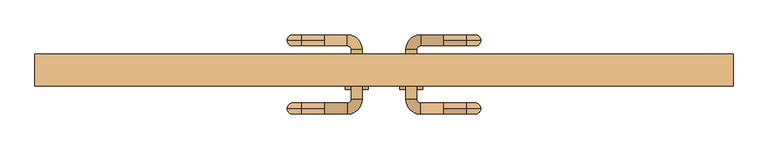
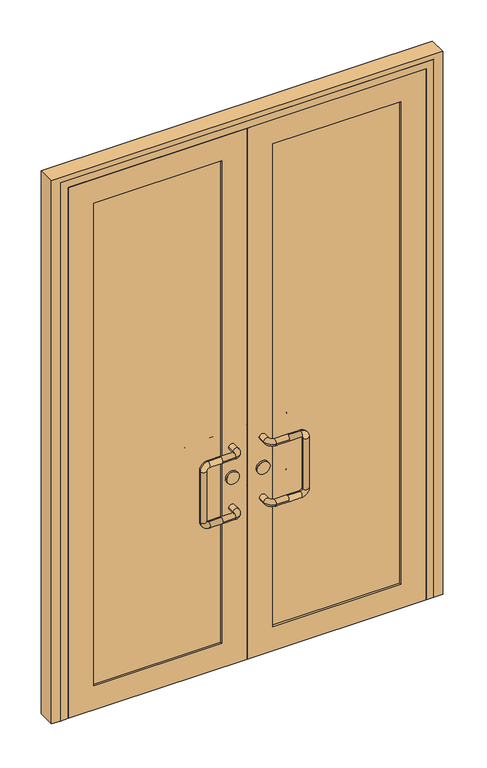
"""IFC4 building model written with IfcOpenShell, lengths in millimetres: door geometry."""

from ifc_helpers import new_model, si_unit, point, frame, frame_2d, origin, place, context, project, spatial, polyline, circle_curve, ellipse_curve, trimmed, segment, composite_curve, outline, extrude, faceted_brep, source, transform, mapped, element, save
from ifc_brep_helpers import cylinder_surface, revolved_surface, advanced_brep


def door_f9b2f60f(model_context):
    return source(origin(), model_context, "Body", "SolidModel", [
        advanced_brep(
        [(-130.0, -182.0, 900.0), (-80.0, -182.0, 900.0), (-80.0, -158.0, 900.0), (-130.0, -158.0, 900.0), (-130.0, -170.0, 912.0), (-130.0, -170.0, 888.0), (-48.0, -150.0, 900.0), (-72.0, -150.0, 900.0), (-48.0, -40.0, 900.0), (-72.0, -40.0, 900.0), (-80.0, -8.0, 900.0), (-80.0, -32.0, 900.0), (-130.0, -8.0, 900.0), (-130.0, -20.0, 912.0), (-130.0, -32.0, 900.0), (-130.0, -20.0, 888.0), (-180.0, -170.0, 888.0), (-180.0, -170.0, 912.0), (-188.0, -170.0, 880.0), (-212.0, -170.0, 880.0), (-188.0, -170.0, 670.0), (-212.0, -170.0, 670.0), (-180.0, -170.0, 662.0), (-180.0, -170.0, 638.0), (-130.0, -170.0, 662.0), (-130.0, -158.0, 650.0), (-130.0, -170.0, 638.0), (-130.0, -182.0, 650.0), (-80.0, -182.0, 650.0), (-80.0, -158.0, 650.0), (-48.0, -150.0, 650.0), (-72.0, -150.0, 650.0), (-48.0, -40.0, 650.0), (-72.0, -40.0, 650.0), (-80.0, -8.0, 650.0), (-80.0, -32.0, 650.0), (-130.0, -8.0, 650.0), (-130.0, -20.0, 662.0), (-130.0, -32.0, 650.0), (-130.0, -20.0, 638.0), (-180.0, -20.0, 888.0), (-180.0, -20.0, 912.0), (-188.0, -20.0, 880.0), (-212.0, -20.0, 880.0), (-188.0, -20.0, 670.0), (-212.0, -20.0, 670.0), (-180.0, -20.0, 662.0), (-180.0, -20.0, 638.0)],
        [
            (0, 1),
            (1, 2, circle_curve(frame((-80.0, -170.0, 900.0), z_axis=(-1.0, 0.0, 0.0), x_axis=(0.0, 1.0, 0.0)), 12.0)),
            (2, 3),
            (3, 4, circle_curve(frame((-130.0, -170.0, 900.0), z_axis=(1.0, 0.0, 0.0), x_axis=(0.0, 1.0, 0.0)), 12.0)),
            (4, 0, circle_curve(frame((-130.0, -170.0, 900.0), z_axis=(1.0, 0.0, 0.0), x_axis=(0.0, 1.0, 0.0)), 12.0)),
            (0, 5, circle_curve(frame((-130.0, -170.0, 900.0), z_axis=(1.0, 0.0, 0.0), x_axis=(0.0, 1.0, 0.0)), 12.0)),
            (5, 3, circle_curve(frame((-130.0, -170.0, 900.0), z_axis=(1.0, 0.0, 0.0), x_axis=(0.0, 1.0, 0.0)), 12.0)),
            (2, 1, circle_curve(frame((-80.0, -170.0, 900.0), z_axis=(-1.0, 0.0, 0.0), x_axis=(0.0, 1.0, 0.0)), 12.0)),
            (1, 6, circle_curve(frame((-80.0, -150.0, 900.0), z_axis=(0.0, 0.0, 1.0), x_axis=(0.0, -1.0, 0.0)), 32.0)),
            (6, 7, circle_curve(frame((-60.0, -150.0, 900.0), z_axis=(0.0, -1.0, 0.0), x_axis=(-1.0, 0.0, 0.0)), 12.0)),
            (7, 2, circle_curve(frame((-80.0, -150.0, 900.0), z_axis=(0.0, 0.0, -1.0), x_axis=(0.0, -1.0, 0.0)), 8.0)),
            (7, 6, circle_curve(frame((-60.0, -150.0, 900.0), z_axis=(0.0, -1.0, 0.0), x_axis=(-1.0, 0.0, 0.0)), 12.0)),
            (6, 8),
            (8, 9, circle_curve(frame((-60.0, -40.0, 900.0), z_axis=(0.0, -1.0, 0.0), x_axis=(-1.0, 0.0, 0.0)), 12.0)),
            (9, 7),
            (9, 8, circle_curve(frame((-60.0, -40.0, 900.0), z_axis=(0.0, -1.0, 0.0), x_axis=(-1.0, 0.0, 0.0)), 12.0)),
            (8, 10, circle_curve(frame((-80.0, -40.0, 900.0), z_axis=(0.0, 0.0, 1.0), x_axis=(1.0, 0.0, 0.0)), 32.0)),
            (10, 11, circle_curve(frame((-80.0, -20.0, 900.0), z_axis=(1.0, 0.0, 0.0), x_axis=(0.0, -1.0, 0.0)), 12.0)),
            (11, 9, circle_curve(frame((-80.0, -40.0, 900.0), z_axis=(0.0, 0.0, -1.0), x_axis=(1.0, 0.0, 0.0)), 8.0)),
            (11, 10, circle_curve(frame((-80.0, -20.0, 900.0), z_axis=(1.0, 0.0, 0.0), x_axis=(0.0, -1.0, 0.0)), 12.0)),
            (10, 12),
            (12, 13, circle_curve(frame((-130.0, -20.0, 900.0), z_axis=(1.0, 0.0, 0.0), x_axis=(0.0, -1.0, 0.0)), 12.0)),
            (13, 14, circle_curve(frame((-130.0, -20.0, 900.0), z_axis=(1.0, 0.0, 0.0), x_axis=(0.0, -1.0, 0.0)), 12.0)),
            (14, 11),
            (14, 15, circle_curve(frame((-130.0, -20.0, 900.0), z_axis=(1.0, 0.0, 0.0), x_axis=(0.0, -1.0, 0.0)), 12.0)),
            (15, 12, circle_curve(frame((-130.0, -20.0, 900.0), z_axis=(1.0, 0.0, 0.0), x_axis=(0.0, -1.0, 0.0)), 12.0)),
            (5, 16),
            (16, 17, circle_curve(frame((-180.0, -170.0, 900.0), z_axis=(1.0, 0.0, 0.0), x_axis=(0.0, 0.0, 1.0)), 12.0)),
            (17, 4),
            (17, 16, circle_curve(frame((-180.0, -170.0, 900.0), z_axis=(1.0, 0.0, 0.0), x_axis=(0.0, 0.0, 1.0)), 12.0)),
            (16, 18, circle_curve(frame((-180.0, -170.0, 880.0), z_axis=(0.0, -1.0, 0.0), x_axis=(0.0, 0.0, 1.0)), 8.0)),
            (18, 19, circle_curve(frame((-200.0, -170.0, 880.0), z_axis=(0.0, 0.0, 1.0), x_axis=(-1.0, 0.0, 0.0)), 12.0)),
            (19, 17, circle_curve(frame((-180.0, -170.0, 880.0), z_axis=(0.0, 1.0, 0.0), x_axis=(0.0, 0.0, 1.0)), 32.0)),
            (19, 18, circle_curve(frame((-200.0, -170.0, 880.0), z_axis=(0.0, 0.0, 1.0), x_axis=(-1.0, 0.0, 0.0)), 12.0)),
            (18, 20),
            (20, 21, circle_curve(frame((-200.0, -170.0, 670.0), z_axis=(0.0, 0.0, 1.0), x_axis=(-1.0, 0.0, 0.0)), 12.0)),
            (21, 19),
            (21, 20, circle_curve(frame((-200.0, -170.0, 670.0), z_axis=(0.0, 0.0, 1.0), x_axis=(-1.0, 0.0, 0.0)), 12.0)),
            (20, 22, circle_curve(frame((-180.0, -170.0, 670.0), z_axis=(0.0, -1.0, 0.0), x_axis=(-1.0, 0.0, 0.0)), 8.0)),
            (22, 23, circle_curve(frame((-180.0, -170.0, 650.0), z_axis=(-1.0, 0.0, 0.0), x_axis=(0.0, 0.0, -1.0)), 12.0)),
            (23, 21, circle_curve(frame((-180.0, -170.0, 670.0), z_axis=(0.0, 1.0, 0.0), x_axis=(-1.0, 0.0, 0.0)), 32.0)),
            (23, 22, circle_curve(frame((-180.0, -170.0, 650.0), z_axis=(-1.0, 0.0, 0.0), x_axis=(0.0, 0.0, -1.0)), 12.0)),
            (22, 24),
            (24, 25, circle_curve(frame((-130.0, -170.0, 650.0), z_axis=(-1.0, 0.0, 0.0), x_axis=(0.0, 0.0, -1.0)), 12.0)),
            (25, 26, circle_curve(frame((-130.0, -170.0, 650.0), z_axis=(-1.0, 0.0, 0.0), x_axis=(0.0, 0.0, -1.0)), 12.0)),
            (26, 23),
            (26, 27, circle_curve(frame((-130.0, -170.0, 650.0), z_axis=(-1.0, 0.0, 0.0), x_axis=(0.0, 0.0, -1.0)), 12.0)),
            (27, 24, circle_curve(frame((-130.0, -170.0, 650.0), z_axis=(-1.0, 0.0, 0.0), x_axis=(0.0, 0.0, -1.0)), 12.0)),
            (27, 28),
            (28, 29, circle_curve(frame((-80.0, -170.0, 650.0), z_axis=(-1.0, 0.0, 0.0), x_axis=(0.0, 1.0, 0.0)), 12.0)),
            (29, 25),
            (29, 28, circle_curve(frame((-80.0, -170.0, 650.0), z_axis=(-1.0, 0.0, 0.0), x_axis=(0.0, 1.0, 0.0)), 12.0)),
            (28, 30, circle_curve(frame((-80.0, -150.0, 650.0), z_axis=(0.0, 0.0, 1.0), x_axis=(0.0, -1.0, 0.0)), 32.0)),
            (30, 31, circle_curve(frame((-60.0, -150.0, 650.0), z_axis=(0.0, -1.0, 0.0), x_axis=(-1.0, 0.0, 0.0)), 12.0)),
            (31, 29, circle_curve(frame((-80.0, -150.0, 650.0), z_axis=(0.0, 0.0, -1.0), x_axis=(0.0, -1.0, 0.0)), 8.0)),
            (31, 30, circle_curve(frame((-60.0, -150.0, 650.0), z_axis=(0.0, -1.0, 0.0), x_axis=(-1.0, 0.0, 0.0)), 12.0)),
            (30, 32),
            (32, 33, circle_curve(frame((-60.0, -40.0, 650.0), z_axis=(0.0, -1.0, 0.0), x_axis=(-1.0, 0.0, 0.0)), 12.0)),
            (33, 31),
            (33, 32, circle_curve(frame((-60.0, -40.0, 650.0), z_axis=(0.0, -1.0, 0.0), x_axis=(-1.0, 0.0, 0.0)), 12.0)),
            (32, 34, circle_curve(frame((-80.0, -40.0, 650.0), z_axis=(0.0, 0.0, 1.0), x_axis=(1.0, 0.0, 0.0)), 32.0)),
            (34, 35, circle_curve(frame((-80.0, -20.0, 650.0), z_axis=(1.0, 0.0, 0.0), x_axis=(0.0, -1.0, 0.0)), 12.0)),
            (35, 33, circle_curve(frame((-80.0, -40.0, 650.0), z_axis=(0.0, 0.0, -1.0), x_axis=(1.0, 0.0, 0.0)), 8.0)),
            (35, 34, circle_curve(frame((-80.0, -20.0, 650.0), z_axis=(1.0, 0.0, 0.0), x_axis=(0.0, -1.0, 0.0)), 12.0)),
            (34, 36),
            (36, 37, circle_curve(frame((-130.0, -20.0, 650.0), z_axis=(1.0, 0.0, 0.0), x_axis=(0.0, -1.0, 0.0)), 12.0)),
            (37, 38, circle_curve(frame((-130.0, -20.0, 650.0), z_axis=(1.0, 0.0, 0.0), x_axis=(0.0, -1.0, 0.0)), 12.0)),
            (38, 35),
            (38, 39, circle_curve(frame((-130.0, -20.0, 650.0), z_axis=(1.0, 0.0, 0.0), x_axis=(0.0, -1.0, 0.0)), 12.0)),
            (39, 36, circle_curve(frame((-130.0, -20.0, 650.0), z_axis=(1.0, 0.0, 0.0), x_axis=(0.0, -1.0, 0.0)), 12.0)),
            (15, 40),
            (40, 41, circle_curve(frame((-180.0, -20.0, 900.0), z_axis=(1.0, 0.0, 0.0), x_axis=(0.0, 0.0, 1.0)), 12.0)),
            (41, 13),
            (41, 40, circle_curve(frame((-180.0, -20.0, 900.0), z_axis=(1.0, 0.0, 0.0), x_axis=(0.0, 0.0, 1.0)), 12.0)),
            (40, 42, circle_curve(frame((-180.0, -20.0, 880.0), z_axis=(0.0, -1.0, 0.0), x_axis=(0.0, 0.0, 1.0)), 8.0)),
            (42, 43, circle_curve(frame((-200.0, -20.0, 880.0), z_axis=(0.0, 0.0, 1.0), x_axis=(-1.0, 0.0, 0.0)), 12.0)),
            (43, 41, circle_curve(frame((-180.0, -20.0, 880.0), z_axis=(0.0, 1.0, 0.0), x_axis=(0.0, 0.0, 1.0)), 32.0)),
            (43, 42, circle_curve(frame((-200.0, -20.0, 880.0), z_axis=(0.0, 0.0, 1.0), x_axis=(-1.0, 0.0, 0.0)), 12.0)),
            (42, 44),
            (44, 45, circle_curve(frame((-200.0, -20.0, 670.0), z_axis=(0.0, 0.0, 1.0), x_axis=(-1.0, 0.0, 0.0)), 12.0)),
            (45, 43),
            (45, 44, circle_curve(frame((-200.0, -20.0, 670.0), z_axis=(0.0, 0.0, 1.0), x_axis=(-1.0, 0.0, 0.0)), 12.0)),
            (44, 46, circle_curve(frame((-180.0, -20.0, 670.0), z_axis=(0.0, -1.0, 0.0), x_axis=(-1.0, 0.0, 0.0)), 8.0)),
            (46, 47, circle_curve(frame((-180.0, -20.0, 650.0), z_axis=(-1.0, 0.0, 0.0), x_axis=(0.0, 0.0, -1.0)), 12.0)),
            (47, 45, circle_curve(frame((-180.0, -20.0, 670.0), z_axis=(0.0, 1.0, 0.0), x_axis=(-1.0, 0.0, 0.0)), 32.0)),
            (47, 46, circle_curve(frame((-180.0, -20.0, 650.0), z_axis=(-1.0, 0.0, 0.0), x_axis=(0.0, 0.0, -1.0)), 12.0)),
            (46, 37),
            (39, 47),
        ],
        [
            cylinder_surface(frame((-130.0, -170.0, 900.0), z_axis=(-1.0, 0.0, 0.0), x_axis=(0.0, 1.0, 0.0)), 12.0),
            revolved_surface(trimmed(ellipse_curve(frame((-80.0, -170.0, 900.0), z_axis=(-1.0, 0.0, 0.0), x_axis=(0.0, 1.0, 0.0)), 12.0, 12.0), [point((-80.0, -182.0, 900.0))], [point((-80.0, -158.0, 900.0))], True, "CARTESIAN"), (-80.0, -150.0, 900.0), (0.0, 0.0, 1.0)),
            revolved_surface(trimmed(ellipse_curve(frame((-80.0, -170.0, 900.0), z_axis=(-1.0, 0.0, 0.0), x_axis=(0.0, 1.0, 0.0)), 12.0, 12.0), [point((-80.0, -158.0, 900.0))], [point((-80.0, -182.0, 900.0))], True, "CARTESIAN"), (-80.0, -150.0, 900.0), (0.0, 0.0, 1.0)),
            cylinder_surface(frame((-60.0, -150.0, 900.0), z_axis=(0.0, -1.0, 0.0), x_axis=(-1.0, 0.0, 0.0)), 12.0),
            revolved_surface(trimmed(ellipse_curve(frame((-60.0, -40.0, 900.0), z_axis=(0.0, -1.0, 0.0), x_axis=(-1.0, 0.0, 0.0)), 12.0, 12.0), [point((-48.0, -40.0, 900.0))], [point((-72.0, -40.0, 900.0))], True, "CARTESIAN"), (-80.0, -40.0, 900.0), (0.0, 0.0, 1.0)),
            revolved_surface(trimmed(ellipse_curve(frame((-60.0, -40.0, 900.0), z_axis=(0.0, -1.0, 0.0), x_axis=(-1.0, 0.0, 0.0)), 12.0, 12.0), [point((-72.0, -40.0, 900.0))], [point((-48.0, -40.0, 900.0))], True, "CARTESIAN"), (-80.0, -40.0, 900.0), (0.0, 0.0, 1.0)),
            cylinder_surface(frame((-80.0, -20.0, 900.0), z_axis=(1.0, 0.0, 0.0), x_axis=(0.0, -1.0, 0.0)), 12.0),
            cylinder_surface(frame((-130.0, -170.0, 900.0), z_axis=(1.0, 0.0, 0.0), x_axis=(0.0, 0.0, 1.0)), 12.0),
            revolved_surface(trimmed(ellipse_curve(frame((-180.0, -170.0, 900.0), z_axis=(1.0, 0.0, 0.0), x_axis=(0.0, 0.0, 1.0)), 12.0, 12.0), [point((-180.0, -170.0, 888.0))], [point((-180.0, -170.0, 912.0))], True, "CARTESIAN"), (-180.0, -170.0, 880.0), (0.0, -1.0, 0.0)),
            revolved_surface(trimmed(ellipse_curve(frame((-180.0, -170.0, 900.0), z_axis=(1.0, 0.0, 0.0), x_axis=(0.0, 0.0, 1.0)), 12.0, 12.0), [point((-180.0, -170.0, 912.0))], [point((-180.0, -170.0, 888.0))], True, "CARTESIAN"), (-180.0, -170.0, 880.0), (0.0, -1.0, 0.0)),
            cylinder_surface(frame((-200.0, -170.0, 880.0), z_axis=(0.0, 0.0, 1.0), x_axis=(-1.0, 0.0, 0.0)), 12.0),
            revolved_surface(trimmed(ellipse_curve(frame((-200.0, -170.0, 670.0), z_axis=(0.0, 0.0, 1.0), x_axis=(-1.0, 0.0, 0.0)), 12.0, 12.0), [point((-188.0, -170.0, 670.0))], [point((-212.0, -170.0, 670.0))], True, "CARTESIAN"), (-180.0, -170.0, 670.0), (0.0, -1.0, 0.0)),
            revolved_surface(trimmed(ellipse_curve(frame((-200.0, -170.0, 670.0), z_axis=(0.0, 0.0, 1.0), x_axis=(-1.0, 0.0, 0.0)), 12.0, 12.0), [point((-212.0, -170.0, 670.0))], [point((-188.0, -170.0, 670.0))], True, "CARTESIAN"), (-180.0, -170.0, 670.0), (0.0, -1.0, 0.0)),
            cylinder_surface(frame((-180.0, -170.0, 650.0), z_axis=(-1.0, 0.0, 0.0), x_axis=(0.0, 0.0, -1.0)), 12.0),
            cylinder_surface(frame((-130.0, -170.0, 650.0), z_axis=(-1.0, 0.0, 0.0), x_axis=(0.0, 1.0, 0.0)), 12.0),
            revolved_surface(trimmed(ellipse_curve(frame((-80.0, -170.0, 650.0), z_axis=(-1.0, 0.0, 0.0), x_axis=(0.0, 1.0, 0.0)), 12.0, 12.0), [point((-80.0, -182.0, 650.0))], [point((-80.0, -158.0, 650.0))], True, "CARTESIAN"), (-80.0, -150.0, 650.0), (0.0, 0.0, 1.0)),
            revolved_surface(trimmed(ellipse_curve(frame((-80.0, -170.0, 650.0), z_axis=(-1.0, 0.0, 0.0), x_axis=(0.0, 1.0, 0.0)), 12.0, 12.0), [point((-80.0, -158.0, 650.0))], [point((-80.0, -182.0, 650.0))], True, "CARTESIAN"), (-80.0, -150.0, 650.0), (0.0, 0.0, 1.0)),
            cylinder_surface(frame((-60.0, -150.0, 650.0), z_axis=(0.0, -1.0, 0.0), x_axis=(-1.0, 0.0, 0.0)), 12.0),
            revolved_surface(trimmed(ellipse_curve(frame((-60.0, -40.0, 650.0), z_axis=(0.0, -1.0, 0.0), x_axis=(-1.0, 0.0, 0.0)), 12.0, 12.0), [point((-48.0, -40.0, 650.0))], [point((-72.0, -40.0, 650.0))], True, "CARTESIAN"), (-80.0, -40.0, 650.0), (0.0, 0.0, 1.0)),
            revolved_surface(trimmed(ellipse_curve(frame((-60.0, -40.0, 650.0), z_axis=(0.0, -1.0, 0.0), x_axis=(-1.0, 0.0, 0.0)), 12.0, 12.0), [point((-72.0, -40.0, 650.0))], [point((-48.0, -40.0, 650.0))], True, "CARTESIAN"), (-80.0, -40.0, 650.0), (0.0, 0.0, 1.0)),
            cylinder_surface(frame((-80.0, -20.0, 650.0), z_axis=(1.0, 0.0, 0.0), x_axis=(0.0, -1.0, 0.0)), 12.0),
            cylinder_surface(frame((-130.0, -20.0, 900.0), z_axis=(1.0, 0.0, 0.0), x_axis=(0.0, 0.0, 1.0)), 12.0),
            revolved_surface(trimmed(ellipse_curve(frame((-180.0, -20.0, 900.0), z_axis=(1.0, 0.0, 0.0), x_axis=(0.0, 0.0, 1.0)), 12.0, 12.0), [point((-180.0, -20.0, 888.0))], [point((-180.0, -20.0, 912.0))], True, "CARTESIAN"), (-180.0, -20.0, 880.0), (0.0, -1.0, 0.0)),
            revolved_surface(trimmed(ellipse_curve(frame((-180.0, -20.0, 900.0), z_axis=(1.0, 0.0, 0.0), x_axis=(0.0, 0.0, 1.0)), 12.0, 12.0), [point((-180.0, -20.0, 912.0))], [point((-180.0, -20.0, 888.0))], True, "CARTESIAN"), (-180.0, -20.0, 880.0), (0.0, -1.0, 0.0)),
            cylinder_surface(frame((-200.0, -20.0, 880.0), z_axis=(0.0, 0.0, 1.0), x_axis=(-1.0, 0.0, 0.0)), 12.0),
            revolved_surface(trimmed(ellipse_curve(frame((-200.0, -20.0, 670.0), z_axis=(0.0, 0.0, 1.0), x_axis=(-1.0, 0.0, 0.0)), 12.0, 12.0), [point((-188.0, -20.0, 670.0))], [point((-212.0, -20.0, 670.0))], True, "CARTESIAN"), (-180.0, -20.0, 670.0), (0.0, -1.0, 0.0)),
            revolved_surface(trimmed(ellipse_curve(frame((-200.0, -20.0, 670.0), z_axis=(0.0, 0.0, 1.0), x_axis=(-1.0, 0.0, 0.0)), 12.0, 12.0), [point((-212.0, -20.0, 670.0))], [point((-188.0, -20.0, 670.0))], True, "CARTESIAN"), (-180.0, -20.0, 670.0), (0.0, -1.0, 0.0)),
            cylinder_surface(frame((-180.0, -20.0, 650.0), z_axis=(-1.0, 0.0, 0.0), x_axis=(0.0, 0.0, -1.0)), 12.0),
        ],
        [
            (0, [[1, 2, 3, 4, 5]]),
            (0, [[-1, 6, 7, -3, 8]]),
            (1, [[-2, 9, 10, 11]]),
            (2, [[-8, -11, 12, -9]]),
            (3, [[-10, 13, 14, 15]]),
            (3, [[-12, -15, 16, -13]]),
            (4, [[-14, 17, 18, 19]]),
            (5, [[-16, -19, 20, -17]]),
            (6, [[-18, 21, 22, 23, 24]]),
            (6, [[-20, -24, 25, 26, -21]]),
            (7, [[27, 28, 29, -4, -7]]),
            (7, [[-27, -6, -5, -29, 30]]),
            (8, [[-28, 31, 32, 33]]),
            (9, [[-30, -33, 34, -31]]),
            (10, [[-32, 35, 36, 37]]),
            (10, [[-34, -37, 38, -35]]),
            (11, [[-36, 39, 40, 41]]),
            (12, [[-38, -41, 42, -39]]),
            (13, [[-40, 43, 44, 45, 46]]),
            (13, [[-42, -46, 47, 48, -43]]),
            (14, [[49, 50, 51, -44, -48]]),
            (14, [[-49, -47, -45, -51, 52]]),
            (15, [[-50, 53, 54, 55]]),
            (16, [[-52, -55, 56, -53]]),
            (17, [[-54, 57, 58, 59]]),
            (17, [[-56, -59, 60, -57]]),
            (18, [[-58, 61, 62, 63]]),
            (19, [[-60, -63, 64, -61]]),
            (20, [[-62, 65, 66, 67, 68]]),
            (20, [[-64, -68, 69, 70, -65]]),
            (21, [[71, 72, 73, -22, -26]]),
            (21, [[-71, -25, -23, -73, 74]]),
            (22, [[-72, 75, 76, 77]]),
            (23, [[-74, -77, 78, -75]]),
            (24, [[-76, 79, 80, 81]]),
            (24, [[-78, -81, 82, -79]]),
            (25, [[-80, 83, 84, 85]]),
            (26, [[-82, -85, 86, -83]]),
            (27, [[-84, 87, -66, -70, 88]]),
            (27, [[-86, -88, -69, -67, -87]]),
        ],
    ),
        extrude(outline(composite_curve([segment(trimmed(circle_curve(frame_2d((775.0, -60.0)), 25.0), [point((775.0, -35.0))], [point((775.0, -85.0))], False, "CARTESIAN"), True, "CONTINUOUS"), segment(trimmed(circle_curve(frame_2d((775.0, -60.0)), 25.0), [point((775.0, -85.0))], [point((775.0, -35.0))], False, "CARTESIAN"), True, "CONTINUOUS")], self_intersect=False)), frame((0.0, -128.0, 0.0), z_axis=(0.0, 1.0, 0.0), x_axis=(0.0, 0.0, 1.0)), (0.0, 0.0, 1.0), 66.0),
        advanced_brep(
        [(130.0, -182.0, 900.0), (130.0, -170.0, 912.0), (130.0, -158.0, 900.0), (80.0, -158.0, 900.0), (80.0, -182.0, 900.0), (130.0, -170.0, 888.0), (72.0, -150.0, 900.0), (48.0, -150.0, 900.0), (72.0, -40.0, 900.0), (48.0, -40.0, 900.0), (80.0, -32.0, 900.0), (80.0, -8.0, 900.0), (130.0, -32.0, 900.0), (130.0, -20.0, 912.0), (130.0, -8.0, 900.0), (130.0, -20.0, 888.0), (180.0, -170.0, 912.0), (180.0, -170.0, 888.0), (212.0, -170.0, 880.0), (188.0, -170.0, 880.0), (212.0, -170.0, 670.0), (188.0, -170.0, 670.0), (180.0, -170.0, 638.0), (180.0, -170.0, 662.0), (130.0, -170.0, 638.0), (130.0, -158.0, 650.0), (130.0, -170.0, 662.0), (130.0, -182.0, 650.0), (80.0, -158.0, 650.0), (80.0, -182.0, 650.0), (72.0, -150.0, 650.0), (48.0, -150.0, 650.0), (72.0, -40.0, 650.0), (48.0, -40.0, 650.0), (80.0, -32.0, 650.0), (80.0, -8.0, 650.0), (130.0, -32.0, 650.0), (130.0, -20.0, 662.0), (130.0, -8.0, 650.0), (130.0, -20.0, 638.0), (180.0, -20.0, 912.0), (180.0, -20.0, 888.0), (212.0, -20.0, 880.0), (188.0, -20.0, 880.0), (212.0, -20.0, 670.0), (188.0, -20.0, 670.0), (180.0, -20.0, 638.0), (180.0, -20.0, 662.0)],
        [
            (0, 1, circle_curve(frame((130.0, -170.0, 900.0), z_axis=(-1.0, 0.0, 0.0), x_axis=(0.0, 1.0, 0.0)), 12.0)),
            (1, 2, circle_curve(frame((130.0, -170.0, 900.0), z_axis=(-1.0, 0.0, 0.0), x_axis=(0.0, 1.0, 0.0)), 12.0)),
            (2, 3),
            (3, 4, circle_curve(frame((80.0, -170.0, 900.0), z_axis=(1.0, 0.0, 0.0), x_axis=(0.0, 1.0, 0.0)), 12.0)),
            (4, 0),
            (4, 3, circle_curve(frame((80.0, -170.0, 900.0), z_axis=(1.0, 0.0, 0.0), x_axis=(0.0, 1.0, 0.0)), 12.0)),
            (2, 5, circle_curve(frame((130.0, -170.0, 900.0), z_axis=(-1.0, 0.0, 0.0), x_axis=(0.0, 1.0, 0.0)), 12.0)),
            (5, 0, circle_curve(frame((130.0, -170.0, 900.0), z_axis=(-1.0, 0.0, 0.0), x_axis=(0.0, 1.0, 0.0)), 12.0)),
            (3, 6, circle_curve(frame((80.0, -150.0, 900.0), z_axis=(0.0, 0.0, -1.0), x_axis=(0.0, -1.0, 0.0)), 8.0)),
            (6, 7, circle_curve(frame((60.0, -150.0, 900.0), z_axis=(0.0, -1.0, 0.0), x_axis=(1.0, 0.0, 0.0)), 12.0)),
            (7, 4, circle_curve(frame((80.0, -150.0, 900.0), z_axis=(0.0, 0.0, 1.0), x_axis=(0.0, -1.0, 0.0)), 32.0)),
            (7, 6, circle_curve(frame((60.0, -150.0, 900.0), z_axis=(0.0, -1.0, 0.0), x_axis=(1.0, 0.0, 0.0)), 12.0)),
            (6, 8),
            (8, 9, circle_curve(frame((60.0, -40.0, 900.0), z_axis=(0.0, -1.0, 0.0), x_axis=(1.0, 0.0, 0.0)), 12.0)),
            (9, 7),
            (9, 8, circle_curve(frame((60.0, -40.0, 900.0), z_axis=(0.0, -1.0, 0.0), x_axis=(1.0, 0.0, 0.0)), 12.0)),
            (8, 10, circle_curve(frame((80.0, -40.0, 900.0), z_axis=(0.0, 0.0, -1.0), x_axis=(-1.0, 0.0, 0.0)), 8.0)),
            (10, 11, circle_curve(frame((80.0, -20.0, 900.0), z_axis=(-1.0, 0.0, 0.0), x_axis=(0.0, -1.0, 0.0)), 12.0)),
            (11, 9, circle_curve(frame((80.0, -40.0, 900.0), z_axis=(0.0, 0.0, 1.0), x_axis=(-1.0, 0.0, 0.0)), 32.0)),
            (11, 10, circle_curve(frame((80.0, -20.0, 900.0), z_axis=(-1.0, 0.0, 0.0), x_axis=(0.0, -1.0, 0.0)), 12.0)),
            (10, 12),
            (12, 13, circle_curve(frame((130.0, -20.0, 900.0), z_axis=(-1.0, 0.0, 0.0), x_axis=(0.0, -1.0, 0.0)), 12.0)),
            (13, 14, circle_curve(frame((130.0, -20.0, 900.0), z_axis=(-1.0, 0.0, 0.0), x_axis=(0.0, -1.0, 0.0)), 12.0)),
            (14, 11),
            (14, 15, circle_curve(frame((130.0, -20.0, 900.0), z_axis=(-1.0, 0.0, 0.0), x_axis=(0.0, -1.0, 0.0)), 12.0)),
            (15, 12, circle_curve(frame((130.0, -20.0, 900.0), z_axis=(-1.0, 0.0, 0.0), x_axis=(0.0, -1.0, 0.0)), 12.0)),
            (1, 16),
            (16, 17, circle_curve(frame((180.0, -170.0, 900.0), z_axis=(-1.0, 0.0, 0.0), x_axis=(0.0, 0.0, 1.0)), 12.0)),
            (17, 5),
            (17, 16, circle_curve(frame((180.0, -170.0, 900.0), z_axis=(-1.0, 0.0, 0.0), x_axis=(0.0, 0.0, 1.0)), 12.0)),
            (16, 18, circle_curve(frame((180.0, -170.0, 880.0), z_axis=(0.0, 1.0, 0.0), x_axis=(0.0, 0.0, 1.0)), 32.0)),
            (18, 19, circle_curve(frame((200.0, -170.0, 880.0), z_axis=(0.0, 0.0, 1.0), x_axis=(1.0, 0.0, 0.0)), 12.0)),
            (19, 17, circle_curve(frame((180.0, -170.0, 880.0), z_axis=(0.0, -1.0, 0.0), x_axis=(0.0, 0.0, 1.0)), 8.0)),
            (19, 18, circle_curve(frame((200.0, -170.0, 880.0), z_axis=(0.0, 0.0, 1.0), x_axis=(1.0, 0.0, 0.0)), 12.0)),
            (18, 20),
            (20, 21, circle_curve(frame((200.0, -170.0, 670.0), z_axis=(0.0, 0.0, 1.0), x_axis=(1.0, 0.0, 0.0)), 12.0)),
            (21, 19),
            (21, 20, circle_curve(frame((200.0, -170.0, 670.0), z_axis=(0.0, 0.0, 1.0), x_axis=(1.0, 0.0, 0.0)), 12.0)),
            (20, 22, circle_curve(frame((180.0, -170.0, 670.0), z_axis=(0.0, 1.0, 0.0), x_axis=(1.0, 0.0, 0.0)), 32.0)),
            (22, 23, circle_curve(frame((180.0, -170.0, 650.0), z_axis=(1.0, 0.0, 0.0), x_axis=(0.0, 0.0, -1.0)), 12.0)),
            (23, 21, circle_curve(frame((180.0, -170.0, 670.0), z_axis=(0.0, -1.0, 0.0), x_axis=(1.0, 0.0, 0.0)), 8.0)),
            (23, 22, circle_curve(frame((180.0, -170.0, 650.0), z_axis=(1.0, 0.0, 0.0), x_axis=(0.0, 0.0, -1.0)), 12.0)),
            (22, 24),
            (24, 25, circle_curve(frame((130.0, -170.0, 650.0), z_axis=(1.0, 0.0, 0.0), x_axis=(0.0, 0.0, -1.0)), 12.0)),
            (25, 26, circle_curve(frame((130.0, -170.0, 650.0), z_axis=(1.0, 0.0, 0.0), x_axis=(0.0, 0.0, -1.0)), 12.0)),
            (26, 23),
            (26, 27, circle_curve(frame((130.0, -170.0, 650.0), z_axis=(1.0, 0.0, 0.0), x_axis=(0.0, 0.0, -1.0)), 12.0)),
            (27, 24, circle_curve(frame((130.0, -170.0, 650.0), z_axis=(1.0, 0.0, 0.0), x_axis=(0.0, 0.0, -1.0)), 12.0)),
            (25, 28),
            (28, 29, circle_curve(frame((80.0, -170.0, 650.0), z_axis=(1.0, 0.0, 0.0), x_axis=(0.0, 1.0, 0.0)), 12.0)),
            (29, 27),
            (29, 28, circle_curve(frame((80.0, -170.0, 650.0), z_axis=(1.0, 0.0, 0.0), x_axis=(0.0, 1.0, 0.0)), 12.0)),
            (28, 30, circle_curve(frame((80.0, -150.0, 650.0), z_axis=(0.0, 0.0, -1.0), x_axis=(0.0, -1.0, 0.0)), 8.0)),
            (30, 31, circle_curve(frame((60.0, -150.0, 650.0), z_axis=(0.0, -1.0, 0.0), x_axis=(1.0, 0.0, 0.0)), 12.0)),
            (31, 29, circle_curve(frame((80.0, -150.0, 650.0), z_axis=(0.0, 0.0, 1.0), x_axis=(0.0, -1.0, 0.0)), 32.0)),
            (31, 30, circle_curve(frame((60.0, -150.0, 650.0), z_axis=(0.0, -1.0, 0.0), x_axis=(1.0, 0.0, 0.0)), 12.0)),
            (30, 32),
            (32, 33, circle_curve(frame((60.0, -40.0, 650.0), z_axis=(0.0, -1.0, 0.0), x_axis=(1.0, 0.0, 0.0)), 12.0)),
            (33, 31),
            (33, 32, circle_curve(frame((60.0, -40.0, 650.0), z_axis=(0.0, -1.0, 0.0), x_axis=(1.0, 0.0, 0.0)), 12.0)),
            (32, 34, circle_curve(frame((80.0, -40.0, 650.0), z_axis=(0.0, 0.0, -1.0), x_axis=(-1.0, 0.0, 0.0)), 8.0)),
            (34, 35, circle_curve(frame((80.0, -20.0, 650.0), z_axis=(-1.0, 0.0, 0.0), x_axis=(0.0, -1.0, 0.0)), 12.0)),
            (35, 33, circle_curve(frame((80.0, -40.0, 650.0), z_axis=(0.0, 0.0, 1.0), x_axis=(-1.0, 0.0, 0.0)), 32.0)),
            (35, 34, circle_curve(frame((80.0, -20.0, 650.0), z_axis=(-1.0, 0.0, 0.0), x_axis=(0.0, -1.0, 0.0)), 12.0)),
            (34, 36),
            (36, 37, circle_curve(frame((130.0, -20.0, 650.0), z_axis=(-1.0, 0.0, 0.0), x_axis=(0.0, -1.0, 0.0)), 12.0)),
            (37, 38, circle_curve(frame((130.0, -20.0, 650.0), z_axis=(-1.0, 0.0, 0.0), x_axis=(0.0, -1.0, 0.0)), 12.0)),
            (38, 35),
            (38, 39, circle_curve(frame((130.0, -20.0, 650.0), z_axis=(-1.0, 0.0, 0.0), x_axis=(0.0, -1.0, 0.0)), 12.0)),
            (39, 36, circle_curve(frame((130.0, -20.0, 650.0), z_axis=(-1.0, 0.0, 0.0), x_axis=(0.0, -1.0, 0.0)), 12.0)),
            (13, 40),
            (40, 41, circle_curve(frame((180.0, -20.0, 900.0), z_axis=(-1.0, 0.0, 0.0), x_axis=(0.0, 0.0, 1.0)), 12.0)),
            (41, 15),
            (41, 40, circle_curve(frame((180.0, -20.0, 900.0), z_axis=(-1.0, 0.0, 0.0), x_axis=(0.0, 0.0, 1.0)), 12.0)),
            (40, 42, circle_curve(frame((180.0, -20.0, 880.0), z_axis=(0.0, 1.0, 0.0), x_axis=(0.0, 0.0, 1.0)), 32.0)),
            (42, 43, circle_curve(frame((200.0, -20.0, 880.0), z_axis=(0.0, 0.0, 1.0), x_axis=(1.0, 0.0, 0.0)), 12.0)),
            (43, 41, circle_curve(frame((180.0, -20.0, 880.0), z_axis=(0.0, -1.0, 0.0), x_axis=(0.0, 0.0, 1.0)), 8.0)),
            (43, 42, circle_curve(frame((200.0, -20.0, 880.0), z_axis=(0.0, 0.0, 1.0), x_axis=(1.0, 0.0, 0.0)), 12.0)),
            (42, 44),
            (44, 45, circle_curve(frame((200.0, -20.0, 670.0), z_axis=(0.0, 0.0, 1.0), x_axis=(1.0, 0.0, 0.0)), 12.0)),
            (45, 43),
            (45, 44, circle_curve(frame((200.0, -20.0, 670.0), z_axis=(0.0, 0.0, 1.0), x_axis=(1.0, 0.0, 0.0)), 12.0)),
            (44, 46, circle_curve(frame((180.0, -20.0, 670.0), z_axis=(0.0, 1.0, 0.0), x_axis=(1.0, 0.0, 0.0)), 32.0)),
            (46, 47, circle_curve(frame((180.0, -20.0, 650.0), z_axis=(1.0, 0.0, 0.0), x_axis=(0.0, 0.0, -1.0)), 12.0)),
            (47, 45, circle_curve(frame((180.0, -20.0, 670.0), z_axis=(0.0, -1.0, 0.0), x_axis=(1.0, 0.0, 0.0)), 8.0)),
            (47, 46, circle_curve(frame((180.0, -20.0, 650.0), z_axis=(1.0, 0.0, 0.0), x_axis=(0.0, 0.0, -1.0)), 12.0)),
            (46, 39),
            (37, 47),
        ],
        [
            cylinder_surface(frame((130.0, -170.0, 900.0), z_axis=(1.0, 0.0, 0.0), x_axis=(0.0, 1.0, 0.0)), 12.0),
            revolved_surface(trimmed(ellipse_curve(frame((80.0, -170.0, 900.0), z_axis=(-1.0, 0.0, 0.0), x_axis=(0.0, 1.0, 0.0)), 12.0, 12.0), [point((80.0, -182.0, 900.0))], [point((80.0, -158.0, 900.0))], True, "CARTESIAN"), (80.0, -150.0, 900.0), (0.0, 0.0, 1.0)),
            revolved_surface(trimmed(ellipse_curve(frame((80.0, -170.0, 900.0), z_axis=(-1.0, 0.0, 0.0), x_axis=(0.0, 1.0, 0.0)), 12.0, 12.0), [point((80.0, -158.0, 900.0))], [point((80.0, -182.0, 900.0))], True, "CARTESIAN"), (80.0, -150.0, 900.0), (0.0, 0.0, 1.0)),
            cylinder_surface(frame((60.0, -150.0, 900.0), z_axis=(0.0, -1.0, 0.0), x_axis=(1.0, 0.0, 0.0)), 12.0),
            revolved_surface(trimmed(ellipse_curve(frame((60.0, -40.0, 900.0), z_axis=(0.0, 1.0, 0.0), x_axis=(1.0, 0.0, 0.0)), 12.0, 12.0), [point((48.0, -40.0, 900.0))], [point((72.0, -40.0, 900.0))], True, "CARTESIAN"), (80.0, -40.0, 900.0), (0.0, 0.0, 1.0)),
            revolved_surface(trimmed(ellipse_curve(frame((60.0, -40.0, 900.0), z_axis=(0.0, 1.0, 0.0), x_axis=(1.0, 0.0, 0.0)), 12.0, 12.0), [point((72.0, -40.0, 900.0))], [point((48.0, -40.0, 900.0))], True, "CARTESIAN"), (80.0, -40.0, 900.0), (0.0, 0.0, 1.0)),
            cylinder_surface(frame((80.0, -20.0, 900.0), z_axis=(-1.0, 0.0, 0.0), x_axis=(0.0, -1.0, 0.0)), 12.0),
            cylinder_surface(frame((130.0, -170.0, 900.0), z_axis=(-1.0, 0.0, 0.0), x_axis=(0.0, 0.0, 1.0)), 12.0),
            revolved_surface(trimmed(ellipse_curve(frame((180.0, -170.0, 900.0), z_axis=(1.0, 0.0, 0.0), x_axis=(0.0, 0.0, 1.0)), 12.0, 12.0), [point((180.0, -170.0, 888.0))], [point((180.0, -170.0, 912.0))], True, "CARTESIAN"), (180.0, -170.0, 880.0), (0.0, -1.0, 0.0)),
            revolved_surface(trimmed(ellipse_curve(frame((180.0, -170.0, 900.0), z_axis=(1.0, 0.0, 0.0), x_axis=(0.0, 0.0, 1.0)), 12.0, 12.0), [point((180.0, -170.0, 912.0))], [point((180.0, -170.0, 888.0))], True, "CARTESIAN"), (180.0, -170.0, 880.0), (0.0, -1.0, 0.0)),
            cylinder_surface(frame((200.0, -170.0, 880.0), z_axis=(0.0, 0.0, 1.0), x_axis=(1.0, 0.0, 0.0)), 12.0),
            revolved_surface(trimmed(ellipse_curve(frame((200.0, -170.0, 670.0), z_axis=(0.0, 0.0, -1.0), x_axis=(1.0, 0.0, 0.0)), 12.0, 12.0), [point((188.0, -170.0, 670.0))], [point((212.0, -170.0, 670.0))], True, "CARTESIAN"), (180.0, -170.0, 670.0), (0.0, -1.0, 0.0)),
            revolved_surface(trimmed(ellipse_curve(frame((200.0, -170.0, 670.0), z_axis=(0.0, 0.0, -1.0), x_axis=(1.0, 0.0, 0.0)), 12.0, 12.0), [point((212.0, -170.0, 670.0))], [point((188.0, -170.0, 670.0))], True, "CARTESIAN"), (180.0, -170.0, 670.0), (0.0, -1.0, 0.0)),
            cylinder_surface(frame((180.0, -170.0, 650.0), z_axis=(1.0, 0.0, 0.0), x_axis=(0.0, 0.0, -1.0)), 12.0),
            cylinder_surface(frame((130.0, -170.0, 650.0), z_axis=(1.0, 0.0, 0.0), x_axis=(0.0, 1.0, 0.0)), 12.0),
            revolved_surface(trimmed(ellipse_curve(frame((80.0, -170.0, 650.0), z_axis=(-1.0, 0.0, 0.0), x_axis=(0.0, 1.0, 0.0)), 12.0, 12.0), [point((80.0, -182.0, 650.0))], [point((80.0, -158.0, 650.0))], True, "CARTESIAN"), (80.0, -150.0, 650.0), (0.0, 0.0, 1.0)),
            revolved_surface(trimmed(ellipse_curve(frame((80.0, -170.0, 650.0), z_axis=(-1.0, 0.0, 0.0), x_axis=(0.0, 1.0, 0.0)), 12.0, 12.0), [point((80.0, -158.0, 650.0))], [point((80.0, -182.0, 650.0))], True, "CARTESIAN"), (80.0, -150.0, 650.0), (0.0, 0.0, 1.0)),
            cylinder_surface(frame((60.0, -150.0, 650.0), z_axis=(0.0, -1.0, 0.0), x_axis=(1.0, 0.0, 0.0)), 12.0),
            revolved_surface(trimmed(ellipse_curve(frame((60.0, -40.0, 650.0), z_axis=(0.0, 1.0, 0.0), x_axis=(1.0, 0.0, 0.0)), 12.0, 12.0), [point((48.0, -40.0, 650.0))], [point((72.0, -40.0, 650.0))], True, "CARTESIAN"), (80.0, -40.0, 650.0), (0.0, 0.0, 1.0)),
            revolved_surface(trimmed(ellipse_curve(frame((60.0, -40.0, 650.0), z_axis=(0.0, 1.0, 0.0), x_axis=(1.0, 0.0, 0.0)), 12.0, 12.0), [point((72.0, -40.0, 650.0))], [point((48.0, -40.0, 650.0))], True, "CARTESIAN"), (80.0, -40.0, 650.0), (0.0, 0.0, 1.0)),
            cylinder_surface(frame((80.0, -20.0, 650.0), z_axis=(-1.0, 0.0, 0.0), x_axis=(0.0, -1.0, 0.0)), 12.0),
            cylinder_surface(frame((130.0, -20.0, 900.0), z_axis=(-1.0, 0.0, 0.0), x_axis=(0.0, 0.0, 1.0)), 12.0),
            revolved_surface(trimmed(ellipse_curve(frame((180.0, -20.0, 900.0), z_axis=(1.0, 0.0, 0.0), x_axis=(0.0, 0.0, 1.0)), 12.0, 12.0), [point((180.0, -20.0, 888.0))], [point((180.0, -20.0, 912.0))], True, "CARTESIAN"), (180.0, -20.0, 880.0), (0.0, -1.0, 0.0)),
            revolved_surface(trimmed(ellipse_curve(frame((180.0, -20.0, 900.0), z_axis=(1.0, 0.0, 0.0), x_axis=(0.0, 0.0, 1.0)), 12.0, 12.0), [point((180.0, -20.0, 912.0))], [point((180.0, -20.0, 888.0))], True, "CARTESIAN"), (180.0, -20.0, 880.0), (0.0, -1.0, 0.0)),
            cylinder_surface(frame((200.0, -20.0, 880.0), z_axis=(0.0, 0.0, 1.0), x_axis=(1.0, 0.0, 0.0)), 12.0),
            revolved_surface(trimmed(ellipse_curve(frame((200.0, -20.0, 670.0), z_axis=(0.0, 0.0, -1.0), x_axis=(1.0, 0.0, 0.0)), 12.0, 12.0), [point((188.0, -20.0, 670.0))], [point((212.0, -20.0, 670.0))], True, "CARTESIAN"), (180.0, -20.0, 670.0), (0.0, -1.0, 0.0)),
            revolved_surface(trimmed(ellipse_curve(frame((200.0, -20.0, 670.0), z_axis=(0.0, 0.0, -1.0), x_axis=(1.0, 0.0, 0.0)), 12.0, 12.0), [point((212.0, -20.0, 670.0))], [point((188.0, -20.0, 670.0))], True, "CARTESIAN"), (180.0, -20.0, 670.0), (0.0, -1.0, 0.0)),
            cylinder_surface(frame((180.0, -20.0, 650.0), z_axis=(1.0, 0.0, 0.0), x_axis=(0.0, 0.0, -1.0)), 12.0),
        ],
        [
            (0, [[1, 2, 3, 4, 5]]),
            (0, [[6, -3, 7, 8, -5]]),
            (1, [[9, 10, 11, -4]]),
            (2, [[-11, 12, -9, -6]]),
            (3, [[13, 14, 15, -10]]),
            (3, [[-15, 16, -13, -12]]),
            (4, [[17, 18, 19, -14]]),
            (5, [[-19, 20, -17, -16]]),
            (6, [[21, 22, 23, 24, -18]]),
            (6, [[-24, 25, 26, -21, -20]]),
            (7, [[-7, -2, 27, 28, 29]]),
            (7, [[30, -27, -1, -8, -29]]),
            (8, [[31, 32, 33, -28]]),
            (9, [[-33, 34, -31, -30]]),
            (10, [[35, 36, 37, -32]]),
            (10, [[-37, 38, -35, -34]]),
            (11, [[39, 40, 41, -36]]),
            (12, [[-41, 42, -39, -38]]),
            (13, [[43, 44, 45, 46, -40]]),
            (13, [[-46, 47, 48, -43, -42]]),
            (14, [[-47, -45, 49, 50, 51]]),
            (14, [[52, -49, -44, -48, -51]]),
            (15, [[53, 54, 55, -50]]),
            (16, [[-55, 56, -53, -52]]),
            (17, [[57, 58, 59, -54]]),
            (17, [[-59, 60, -57, -56]]),
            (18, [[61, 62, 63, -58]]),
            (19, [[-63, 64, -61, -60]]),
            (20, [[65, 66, 67, 68, -62]]),
            (20, [[-68, 69, 70, -65, -64]]),
            (21, [[-25, -23, 71, 72, 73]]),
            (21, [[74, -71, -22, -26, -73]]),
            (22, [[75, 76, 77, -72]]),
            (23, [[-77, 78, -75, -74]]),
            (24, [[79, 80, 81, -76]]),
            (24, [[-81, 82, -79, -78]]),
            (25, [[83, 84, 85, -80]]),
            (26, [[-85, 86, -83, -82]]),
            (27, [[87, -69, -67, 88, -84]]),
            (27, [[-88, -66, -70, -87, -86]]),
        ],
    ),
        extrude(outline(composite_curve([segment(trimmed(circle_curve(frame_2d((775.0, 60.0)), 25.0), [point((775.0, 35.0))], [point((775.0, 85.0))], False, "CARTESIAN"), True, "CONTINUOUS"), segment(trimmed(circle_curve(frame_2d((775.0, 60.0)), 25.0), [point((775.0, 85.0))], [point((775.0, 35.0))], False, "CARTESIAN"), True, "CONTINUOUS")], self_intersect=False)), frame((0.0, -128.0, 0.0), z_axis=(0.0, 1.0, 0.0), x_axis=(0.0, 0.0, 1.0)), (0.0, 0.0, 1.0), 66.0),
        extrude(outline(polyline([(-600.0, -112.0), (-600.0, -78.0), (-100.0, -78.0), (-100.0, -112.0), (-600.0, -112.0)])), frame((0.0, 0.0, 100.0), z_axis=(0.0, 0.0, 1.0), x_axis=(1.0, 0.0, 0.0)), (0.0, 0.0, 1.0), 1995.0),
        extrude(outline(polyline([(0.0, -700.0), (0.0, 0.0), (2195.0, 0.0), (2195.0, -700.0), (0.0, -700.0)]), holes=[polyline([(100.0, -100.0), (100.0, -600.0), (2095.0, -600.0), (2095.0, -100.0), (100.0, -100.0)])]), frame((0.0, -120.0, 0.0), z_axis=(0.0, 1.0, 0.0), x_axis=(0.0, 0.0, 1.0)), (0.0, 0.0, 1.0), 50.0),
        extrude(outline(polyline([(100.0, -112.0), (100.0, -78.0), (600.0, -78.0), (600.0, -112.0), (100.0, -112.0)])), frame((0.0, 0.0, 100.0), z_axis=(0.0, 0.0, 1.0), x_axis=(1.0, 0.0, 0.0)), (0.0, 0.0, 1.0), 1995.0),
        extrude(outline(polyline([(0.0, 0.0), (0.0, 700.0), (2195.0, 700.0), (2195.0, 0.0), (0.0, 0.0)]), holes=[polyline([(100.0, 600.0), (100.0, 100.0), (2095.0, 100.0), (2095.0, 600.0), (100.0, 600.0)])]), frame((0.0, -120.0, 0.0), z_axis=(0.0, 1.0, 0.0), x_axis=(0.0, 0.0, 1.0)), (0.0, 0.0, 1.0), 50.0),
        extrude(outline(polyline([(0.0, 765.0), (2245.0, 765.0), (2245.0, -765.0), (0.0, -765.0), (0.0, -730.0), (2225.0, -730.0), (2225.0, 730.0), (0.0, 730.0), (0.0, 765.0)])), frame((0.0, -120.0, 0.0), z_axis=(0.0, 1.0, 0.0), x_axis=(0.0, 0.0, 1.0)), (0.0, 0.0, 1.0), 70.0),
        faceted_brep([(-730.0, -50.0, 0.0), (-690.0, -50.0, 0.0), (-690.0, -70.0, 0.0), (-700.0, -70.0, 0.0), (-700.0, -120.0, 0.0), (-730.0, -120.0, 0.0), (-730.0, -120.0, 2225.0), (-730.0, -50.0, 2225.0), (-700.0, -120.0, 2195.0), (700.0, -120.0, 2195.0), (700.0, -120.0, 0.0), (730.0, -120.0, 0.0), (730.0, -120.0, 2225.0), (-700.0, -70.0, 2195.0), (-690.0, -70.0, 2185.0), (690.0, -70.0, 2185.0), (690.0, -70.0, 0.0), (700.0, -70.0, 0.0), (700.0, -70.0, 2195.0), (-690.0, -50.0, 2185.0), (730.0, -50.0, 2225.0), (730.0, -50.0, 0.0), (690.0, -50.0, 0.0), (690.0, -50.0, 2185.0)], [[[0, 1, 2, 3, 4, 5]], [[5, 6, 7, 0]], [[4, 8, 9, 10, 11, 12, 6, 5]], [[3, 13, 8, 4]], [[2, 14, 15, 16, 17, 18, 13, 3]], [[1, 19, 14, 2]], [[0, 7, 20, 21, 22, 23, 19, 1]], [[6, 12, 20, 7]], [[13, 18, 9, 8]], [[19, 23, 15, 14]], [[21, 11, 10, 17, 16, 22]], [[12, 11, 21, 20]], [[18, 17, 10, 9]], [[23, 22, 16, 15]]]),
    ])


if __name__ == "__main__":
    model = new_model("IFC4")
    model_context = context("Model", 3, world=origin())
    ifc_project = project(units=[si_unit("LENGTHUNIT", "METRE", prefix="MILLI")], contexts=[model_context])
    site = spatial("IfcSite", under=ifc_project)
    building = spatial("IfcBuilding", under=site)
    placement = place(None, origin())
    door_shape = door_f9b2f60f(model_context)
    element("IfcDoor", 1, at=placement, inside=building, context=model_context, shape_type="MappedRepresentation", body=[
        mapped(door_shape, transform((0.0, 0.0, 0.0), x_axis=(1.0, 0.0, 0.0), y_axis=(0.0, 1.0, 0.0), z_axis=(0.0, 0.0, 1.0))),
    ])
    save(model, "model.ifc")
